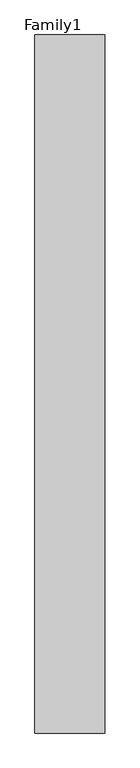
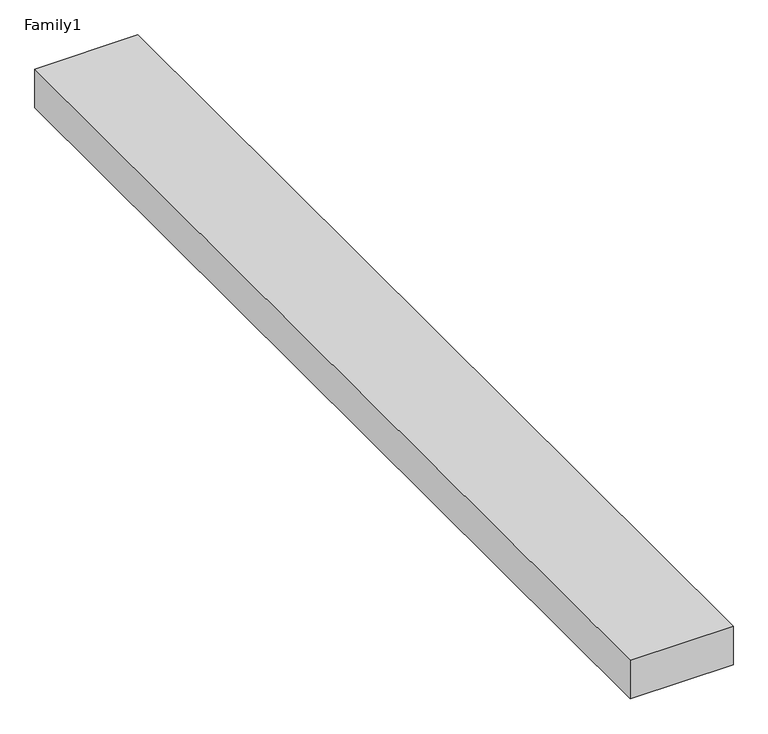
"""IFC4 building model written with IfcOpenShell, lengths in millimetres: proxy geometry, Family1."""

from ifc_helpers import new_model, si_unit, origin, origin_with_axes, place, context, project, spatial, polyline, outline, extrude, source, transform, mapped, element, save


def family1_67042815(model_context):
    return source(origin(), model_context, "Body", "SweptSolid", [
        extrude(outline(polyline([(5000.0, 0.0), (0.0, 0.0), (0.0, 50000.0), (5000.0, 50000.0), (5000.0, 0.0)])), origin_with_axes(), (0.0, 0.0, 1.0), 1985.0),
    ])


if __name__ == "__main__":
    model = new_model("IFC4")
    model_context = context("Model", 3, world=origin())
    ifc_project = project(units=[si_unit("LENGTHUNIT", "METRE", prefix="MILLI")], contexts=[model_context])
    site = spatial("IfcSite", under=ifc_project)
    building = spatial("IfcBuilding", under=site)
    placement = place(None, origin())
    family1_shape = family1_67042815(model_context)
    element("IfcBuildingElementProxy", 1, Name="Family1", ObjectType="Family1", at=placement, inside=building, context=model_context, shape_type="MappedRepresentation", body=[
        mapped(family1_shape, transform((0.0, 0.0, 0.0), x_axis=(1.0, 0.0, 0.0), y_axis=(0.0, 1.0, 0.0), z_axis=(0.0, 0.0, 1.0))),
    ])
    save(model, "model.ifc")
